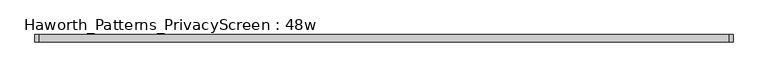
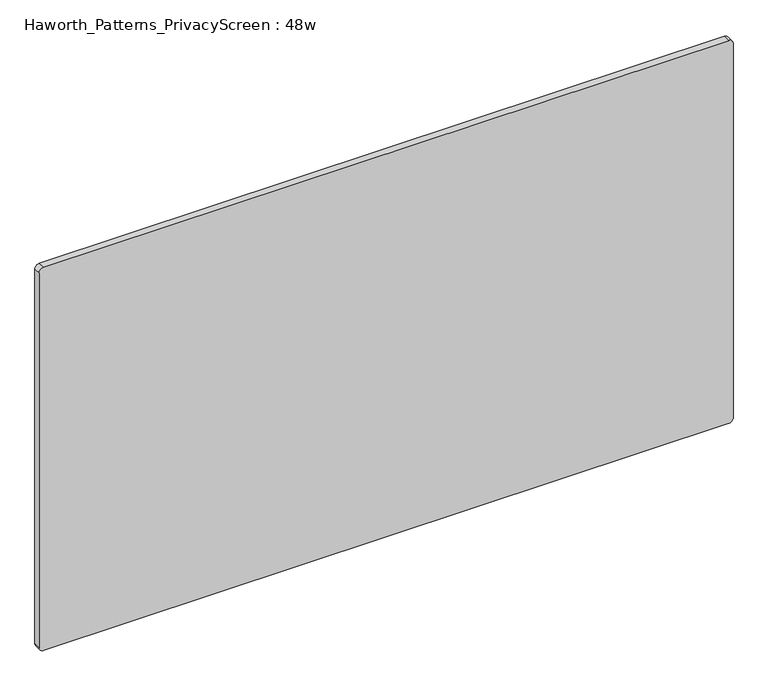
"""IFC4 building model written with IfcOpenShell, lengths in millimetres: furniture geometry, Haworth_Patterns_PrivacyScreen : 48w."""

from ifc_helpers import new_model, si_unit, point, frame, frame_2d, origin, place, context, project, spatial, polyline, circle_curve, trimmed, segment, composite_curve, outline, extrude, source, transform, mapped, element, save


def haworth_patterns_privacyscreen_48w_d495717f(model_context):
    return source(origin(), model_context, "Body", "SweptSolid", [
        extrude(outline(composite_curve([segment(polyline([(990.6, 601.6625), (990.6, -601.6625)]), True, "CONTINUOUS"), segment(trimmed(circle_curve(frame_2d((982.6625, -601.6625)), 7.9375), [point((990.6, -601.6625))], [point((982.6625, -609.6))], False, "CARTESIAN"), True, "CONTINUOUS"), segment(polyline([(982.6625, -609.6), (287.3375, -609.6)]), True, "CONTINUOUS"), segment(trimmed(circle_curve(frame_2d((287.3375, -601.6625)), 7.9375), [point((287.3375, -609.6))], [point((279.4, -601.6625))], False, "CARTESIAN"), True, "CONTINUOUS"), segment(polyline([(279.4, -601.6625), (279.4, 601.6625)]), True, "CONTINUOUS"), segment(trimmed(circle_curve(frame_2d((287.3375, 601.6625)), 7.9375), [point((279.4, 601.6625))], [point((287.3375, 609.6))], False, "CARTESIAN"), True, "CONTINUOUS"), segment(polyline([(287.3375, 609.6), (982.6625, 609.6)]), True, "CONTINUOUS"), segment(trimmed(circle_curve(frame_2d((982.6625, 601.6625)), 7.9375), [point((982.6625, 609.6))], [point((990.6, 601.6625))], False, "CARTESIAN"), True, "CONTINUOUS")], self_intersect=False)), frame((0.0, -6.35, 0.0), z_axis=(0.0, 1.0, 0.0), x_axis=(0.0, 0.0, 1.0)), (0.0, 0.0, 1.0), 12.7),
    ])


if __name__ == "__main__":
    model = new_model("IFC4")
    model_context = context("Model", 3, world=origin())
    ifc_project = project(units=[si_unit("LENGTHUNIT", "METRE", prefix="MILLI")], contexts=[model_context])
    site = spatial("IfcSite", under=ifc_project)
    building = spatial("IfcBuilding", under=site)
    placement = place(None, origin())
    haworth_patterns_privacyscreen_48w_shape = haworth_patterns_privacyscreen_48w_d495717f(model_context)
    element("IfcFurniture", 1, ObjectType="Haworth_Patterns_PrivacyScreen : 48w", at=placement, inside=building, context=model_context, shape_type="MappedRepresentation", body=[
        mapped(haworth_patterns_privacyscreen_48w_shape, transform((0.0, 0.0, 0.0), x_axis=(1.0, 0.0, 0.0), y_axis=(0.0, 1.0, 0.0), z_axis=(0.0, 0.0, 1.0))),
    ])
    save(model, "model.ifc")
